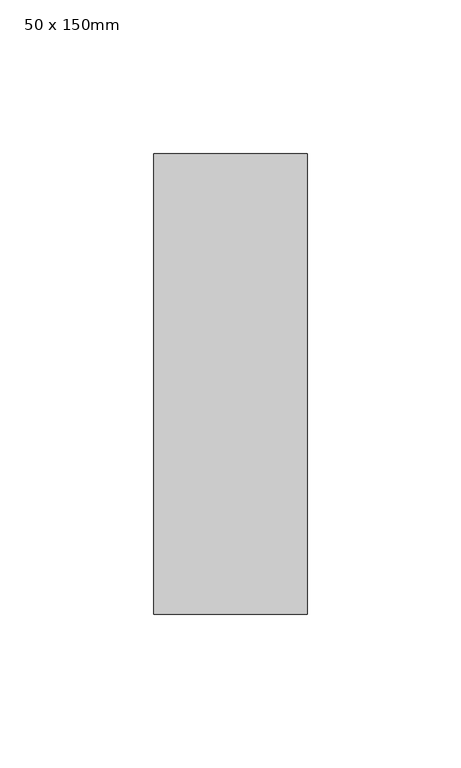
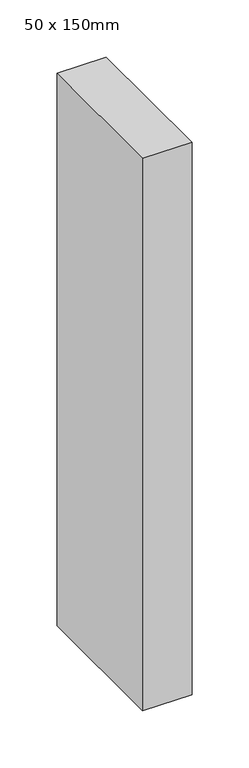
"""IFC4 building model written with IfcOpenShell, lengths in millimetres: member geometry, 50 x 150mm."""

import ifcopenshell
import ifcopenshell.guid

model = None  # the IFC model being written
_history = None  # IfcOwnerHistory: only IFC2X3 demands one
_inside = {}  # id of a spatial element -> (the spatial element, [elements in it])
_under = {}  # id of a project, library or spatial element -> (it, [spatial elements below it])
_declared = {}  # id of a project -> (the project, [libraries it declares])
_typed = {}  # id of a type object -> (the type object, [elements of that type])
_made_of = {}  # id of a material, layer set ... -> (it, [elements and type objects made of it])


def new_model(schema):
    """Start an empty IFC model of exactly this schema.

    Asked for "IFC4X3", IfcOpenShell would pick the latest addendum, in which some entities
    have other attributes; the version numbers below select the first issue.
    IFC2X3 requires an IfcOwnerHistory on every rooted entity: one is made here for all.
    """
    global model, _history
    if schema == "IFC4X3":
        model = ifcopenshell.file(schema_version=(4, 3, 0, 0))
    else:
        model = ifcopenshell.file(schema=schema)
    _inside.clear()
    _under.clear()
    _declared.clear()
    _typed.clear()
    _made_of.clear()
    _history = None
    if model.schema == "IFC2X3":
        org = make("IfcOrganization", Name="unknown")
        user = make(
            "IfcPersonAndOrganization",
            ThePerson=make("IfcPerson", FamilyName="unknown"),
            TheOrganization=org,
        )
        app = make(
            "IfcApplication",
            ApplicationDeveloper=org,
            Version="unknown",
            ApplicationFullName="unknown",
            ApplicationIdentifier="unknown",
        )
        _history = make(
            "IfcOwnerHistory",
            OwningUser=user,
            OwningApplication=app,
            ChangeAction="ADDED",
            CreationDate=0,
        )
    return model


def make(cls, **values):
    """One entity of the class cls with the attributes given. An attribute that is None is left unset."""
    return model.create_entity(
        cls, **{name: value for name, value in values.items() if value is not None}
    )


def rooted(cls, **values):
    """An entity with a GlobalId (a new one), such as an element, a storey or a relation."""
    return make(cls, GlobalId=ifcopenshell.guid.new(), OwnerHistory=_history, **values)


def si_unit(unit_type, name, prefix=None):
    """IfcSIUnit, for example si_unit("LENGTHUNIT", "METRE", prefix="MILLI")."""
    return make("IfcSIUnit", UnitType=unit_type, Prefix=prefix, Name=name)


def assignment(units):
    """IfcUnitAssignment: the units of a project."""
    return None if units is None else make("IfcUnitAssignment", Units=units)


def point(xyz):
    """IfcCartesianPoint."""
    return None if xyz is None else make("IfcCartesianPoint", Coordinates=xyz)


def direction(xyz):
    """IfcDirection."""
    return None if xyz is None else make("IfcDirection", DirectionRatios=xyz)


def frame(location, z_axis=None, x_axis=None):
    """IfcAxis2Placement3D, a coordinate frame: its origin and axes. An axis left out is left unset."""
    return make(
        "IfcAxis2Placement3D",
        Location=point(location),
        Axis=direction(z_axis),
        RefDirection=direction(x_axis),
    )


def origin():
    """The frame at (0, 0, 0) with its axes left unset."""
    return frame((0.0, 0.0, 0.0))


def place(relative_to, where):
    """IfcLocalPlacement: puts the frame where relative to a parent placement (None: the world)."""
    return make(
        "IfcLocalPlacement", PlacementRelTo=relative_to, RelativePlacement=where
    )


def context(
    kind, dimensions, precision=None, world=None, true_north=None, identifier=None
):
    """IfcGeometricRepresentationContext, for example the 3D "Model" context."""
    return make(
        "IfcGeometricRepresentationContext",
        ContextIdentifier=identifier,
        ContextType=kind,
        CoordinateSpaceDimension=dimensions,
        Precision=precision,
        WorldCoordinateSystem=world,
        TrueNorth=true_north,
    )


def project(units=None, contexts=None):
    """IfcProject with its units and contexts."""
    return rooted(
        "IfcProject",
        Name="project",
        RepresentationContexts=contexts,
        UnitsInContext=assignment(units),
    )


def spatial(cls, under=None, at=None, **own):
    """A site, building, storey or space (cls), placed at a placement, below another one or the project."""
    s = rooted(cls, ObjectPlacement=at, **own)
    if under is not None:
        _under.setdefault(under.id(), (under, []))[1].append(s)
    return s


def polyline(points):
    """IfcPolyline through the points."""
    return make("IfcPolyline", Points=[point(p) for p in points])


def outline(outer, holes=None, kind="AREA"):
    """IfcArbitraryClosedProfileDef: a profile drawn as a closed curve; with holes, ...WithVoids."""
    if holes is None:
        return make("IfcArbitraryClosedProfileDef", ProfileType=kind, OuterCurve=outer)
    return make(
        "IfcArbitraryProfileDefWithVoids",
        ProfileType=kind,
        OuterCurve=outer,
        InnerCurves=holes,
    )


def extrude(swept, where, along, depth):
    """IfcExtrudedAreaSolid: the profile swept, set in the frame where, extruded along a direction by depth."""
    return make(
        "IfcExtrudedAreaSolid",
        SweptArea=swept,
        Position=where,
        ExtrudedDirection=direction(along),
        Depth=depth,
    )


def shape(context_of_items, identifier, shape_type, items):
    """IfcShapeRepresentation: the items that make up one representation, for example the "Body"."""
    return make(
        "IfcShapeRepresentation",
        ContextOfItems=context_of_items,
        RepresentationIdentifier=identifier,
        RepresentationType=shape_type,
        Items=items,
    )


def source(mapping_origin, context_of_items, identifier, shape_type, items):
    """IfcRepresentationMap: a shape defined once, which mapped items show again and again."""
    return make(
        "IfcRepresentationMap",
        MappingOrigin=mapping_origin,
        MappedRepresentation=shape(context_of_items, identifier, shape_type, items),
    )


def transform(
    local_origin,
    x_axis=None,
    y_axis=None,
    z_axis=None,
    scale=None,
    scale2=None,
    scale3=None,
    uniform=True,
):
    """IfcCartesianTransformationOperator3D, or its non-uniform kind. x_axis, y_axis, z_axis: its Axis1, 2, 3."""
    if uniform:
        return make(
            "IfcCartesianTransformationOperator3D",
            Axis1=direction(x_axis),
            Axis2=direction(y_axis),
            LocalOrigin=point(local_origin),
            Scale=scale,
            Axis3=direction(z_axis),
        )
    return make(
        "IfcCartesianTransformationOperator3DnonUniform",
        Axis1=direction(x_axis),
        Axis2=direction(y_axis),
        LocalOrigin=point(local_origin),
        Scale=scale,
        Axis3=direction(z_axis),
        Scale2=scale2,
        Scale3=scale3,
    )


def mapped(mapping_source, mapping_target):
    """IfcMappedItem: shows the shape of a source again, moved by a transform."""
    return make(
        "IfcMappedItem", MappingSource=mapping_source, MappingTarget=mapping_target
    )


def made_of(thing, what):
    """Note that an element or type object is made of a material, layer set ...; save() writes the relation."""
    if what is not None:
        _made_of.setdefault(what.id(), (what, []))[1].append(thing)
    return thing


def element(
    cls,
    number,
    at=None,
    inside=None,
    cuts=None,
    type_object=None,
    material=None,
    context=None,
    identifier="Body",
    shape_type=None,
    held_by="IfcProductDefinitionShape",
    body=None,
    shapes=None,
    **own,
):
    """One element of the class cls, such as IfcWall. Its Tag is "e" and its number.

    at: its placement. inside: the storey or other place that contains it. cuts: it is an
    opening in that element (IfcRelVoidsElement). A single representation is given by context,
    identifier, shape_type and body (its items); several are given by shapes. held_by: the class
    of the entity that holds the representations. save() writes the other relations.
    """
    e = rooted(cls, Tag="e%d" % number, ObjectPlacement=at, **own)
    if body is not None:
        shapes = [shape(context, identifier, shape_type, body)]
    if shapes is not None:
        e.Representation = make(held_by, Representations=shapes)
    if inside is not None:
        _inside.setdefault(inside.id(), (inside, []))[1].append(e)
    if cuts is not None:
        rooted(
            "IfcRelVoidsElement", RelatingBuildingElement=cuts, RelatedOpeningElement=e
        )
    if type_object is not None:
        _typed.setdefault(type_object.id(), (type_object, []))[1].append(e)
    return made_of(e, material)


def aggregate(whole, parts):
    """IfcRelAggregates: a whole, such as a stair, and the parts it consists of."""
    return rooted("IfcRelAggregates", RelatingObject=whole, RelatedObjects=parts)


def save(model, path):
    """Write the relations noted so far, then the file.

    IfcRelAggregates (storeys below a building ...), IfcRelContainedInSpatialStructure (elements
    in a storey), IfcRelDefinesByType, IfcRelAssociatesMaterial and IfcRelDeclares: one each for
    every whole, place, type object, material and project.
    """
    for whole, parts in _under.values():
        aggregate(whole, parts)
    for where, things in _inside.values():
        rooted(
            "IfcRelContainedInSpatialStructure",
            RelatedElements=things,
            RelatingStructure=where,
        )
    for kind, things in _typed.values():
        rooted("IfcRelDefinesByType", RelatedObjects=things, RelatingType=kind)
    for what, things in _made_of.values():
        rooted("IfcRelAssociatesMaterial", RelatedObjects=things, RelatingMaterial=what)
    for by, libraries in _declared.values():
        rooted("IfcRelDeclares", RelatingContext=by, RelatedDefinitions=libraries)
    model.write(path)


def member_50_x_150mm_bd00f34d(model_context):
    return source(origin(), model_context, "Body", "SweptSolid", [
        extrude(outline(polyline([(25.0, 75.0), (25.0, -75.0), (-25.0, -75.0), (-25.0, 75.0), (25.0, 75.0)])), frame((0.0, 0.0, -591.1311036), z_axis=(0.0, 0.0, 1.0), x_axis=(1.0, 0.0, 0.0)), (0.0, 0.0, 1.0), 591.1311036),
    ])


if __name__ == "__main__":
    model = new_model("IFC4")
    model_context = context("Model", 3, world=origin())
    ifc_project = project(units=[si_unit("LENGTHUNIT", "METRE", prefix="MILLI")], contexts=[model_context])
    site = spatial("IfcSite", under=ifc_project)
    building = spatial("IfcBuilding", under=site)
    placement = place(None, origin())
    member_50_x_150mm_shape = member_50_x_150mm_bd00f34d(model_context)
    element("IfcMember", 1, ObjectType="50 x 150mm", at=placement, inside=building, context=model_context, shape_type="MappedRepresentation", body=[
        mapped(member_50_x_150mm_shape, transform((0.0, 0.0, 0.0), x_axis=(1.0, 0.0, 0.0), y_axis=(0.0, 1.0, 0.0), z_axis=(0.0, 0.0, 1.0))),
    ])
    save(model, "model.ifc")
